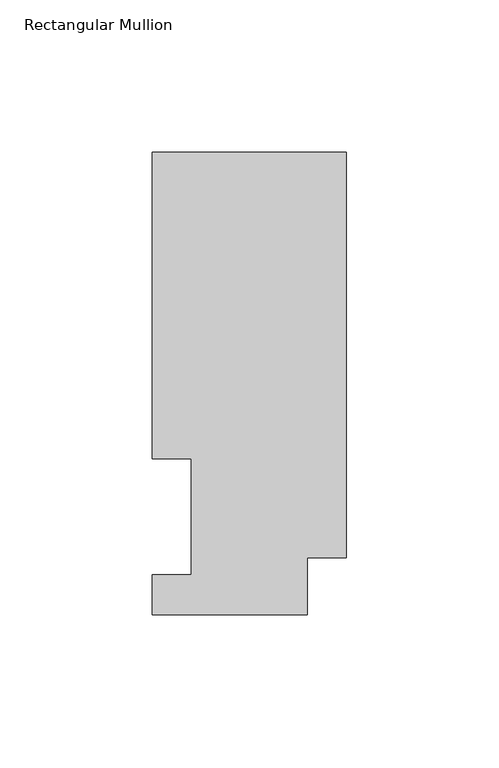
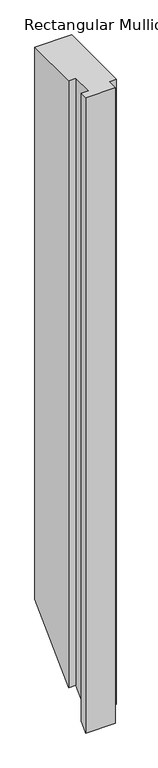
"""IFC4 building model written with IfcOpenShell, lengths in millimetres: member geometry, Rectangular Mullion."""

from ifc_helpers import new_model, si_unit, origin, place, context, project, spatial, faceted_brep, source, transform, mapped, element, save


def rectangular_mullion_27ab0046(model_context):
    return source(origin(), model_context, "Body", "Brep", [
        faceted_brep([(-63.5, 151.7022937, 0.0), (-63.5, 51.2960937, 0.0), (-50.8, 51.2960938, 0.0), (-50.8, 13.1960938, 0.0), (-63.5, 13.1960938, 0.0), (-63.5, 0.0134937, 0.0), (-12.7, 0.0134937, 0.0), (-12.7, 18.7332937, 0.0), (0.0, 18.7332937, 0.0), (0.0, 151.7022937, 0.0), (-63.5, 151.7022937, -1003.9977063), (-63.5, 51.2960937, -1104.4039062), (-50.8, 51.2960937, -1104.4039062), (-50.8, 13.1960938, -1142.5039062), (-63.5, 13.1960938, -1142.5039062), (-63.5, 0.0134937, -1155.6865063), (-12.7, 0.0134937, -1155.6865063), (-12.7, 18.7332937, -1136.9667063), (0.0, 18.7332937, -1136.9667063), (0.0, 151.7022937, -1003.9977063)], [[[0, 1, 2, 3, 4, 5, 6, 7, 8, 9]], [[1, 0, 10, 11]], [[2, 1, 11, 12]], [[3, 2, 12, 13]], [[4, 3, 13, 14]], [[5, 4, 14, 15]], [[6, 5, 15, 16]], [[7, 6, 16, 17]], [[8, 7, 17, 18]], [[9, 8, 18, 19]], [[0, 9, 19, 10]], [[10, 19, 18, 17, 16, 15, 14, 13, 12, 11]]]),
    ])


if __name__ == "__main__":
    model = new_model("IFC4")
    model_context = context("Model", 3, world=origin())
    ifc_project = project(units=[si_unit("LENGTHUNIT", "METRE", prefix="MILLI")], contexts=[model_context])
    site = spatial("IfcSite", under=ifc_project)
    building = spatial("IfcBuilding", under=site)
    placement = place(None, origin())
    rectangular_mullion_shape = rectangular_mullion_27ab0046(model_context)
    element("IfcMember", 1, ObjectType="Rectangular Mullion", at=placement, inside=building, context=model_context, shape_type="MappedRepresentation", body=[
        mapped(rectangular_mullion_shape, transform((0.0, 0.0, 0.0), x_axis=(1.0, 0.0, 0.0), y_axis=(0.0, 1.0, 0.0), z_axis=(0.0, 0.0, 1.0))),
    ])
    save(model, "model.ifc")
